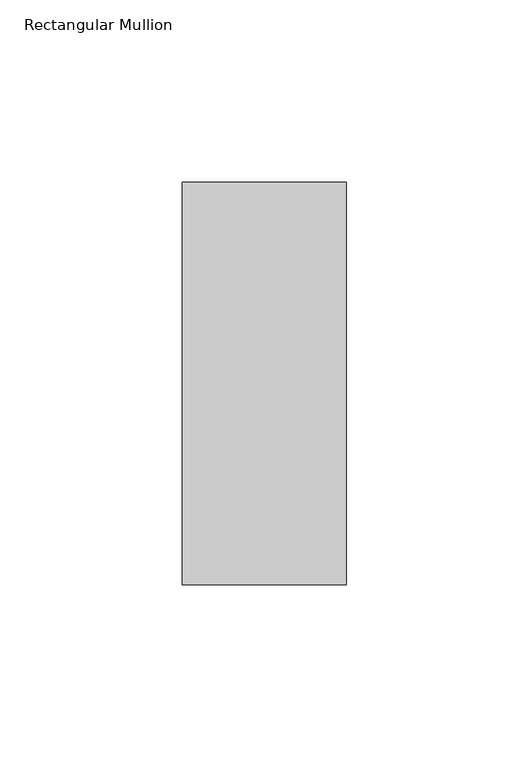
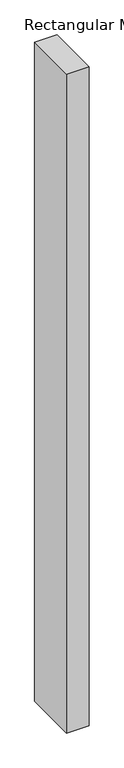
"""IFC4 building model written with IfcOpenShell, lengths in millimetres: member geometry, Rectangular Mullion."""

from ifc_helpers import new_model, si_unit, frame, origin, place, context, project, spatial, polyline, outline, extrude, source, transform, mapped, element, save


def rectangular_mullion_b8d146e5(model_context):
    return source(origin(), model_context, "Body", "SweptSolid", [
        extrude(outline(polyline([(0.0, 70.7), (0.0, -39.7), (-45.0, -39.7), (-45.0, 70.7), (0.0, 70.7)])), frame((0.0, 0.0, -1394.2628906), z_axis=(0.0, 0.0, 1.0), x_axis=(1.0, 0.0, 0.0)), (0.0, 0.0, 1.0), 1394.2628906),
    ])


if __name__ == "__main__":
    model = new_model("IFC4")
    model_context = context("Model", 3, world=origin())
    ifc_project = project(units=[si_unit("LENGTHUNIT", "METRE", prefix="MILLI")], contexts=[model_context])
    site = spatial("IfcSite", under=ifc_project)
    building = spatial("IfcBuilding", under=site)
    placement = place(None, origin())
    rectangular_mullion_shape = rectangular_mullion_b8d146e5(model_context)
    element("IfcMember", 1, ObjectType="Rectangular Mullion", at=placement, inside=building, context=model_context, shape_type="MappedRepresentation", body=[
        mapped(rectangular_mullion_shape, transform((0.0, 0.0, 0.0), x_axis=(1.0, 0.0, 0.0), y_axis=(0.0, 1.0, 0.0), z_axis=(0.0, 0.0, 1.0))),
    ])
    save(model, "model.ifc")
